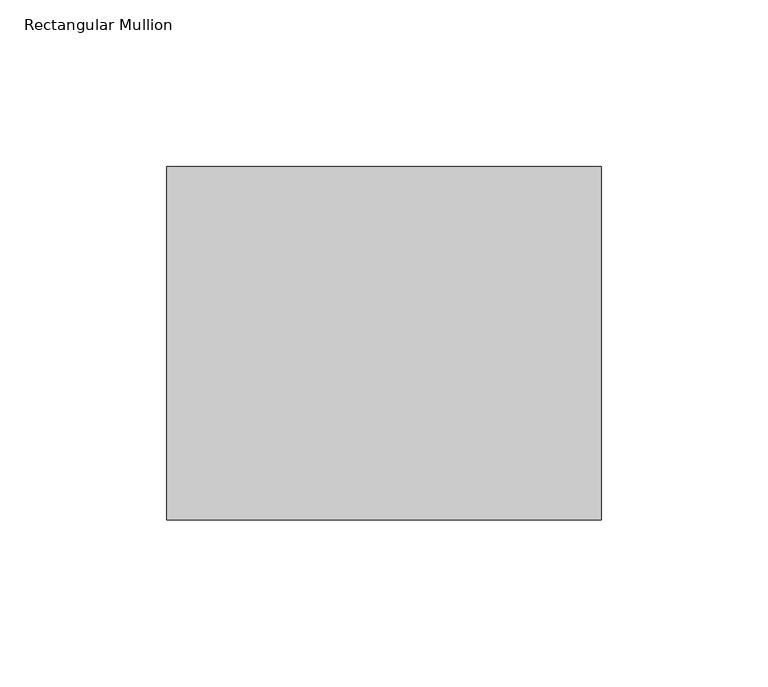
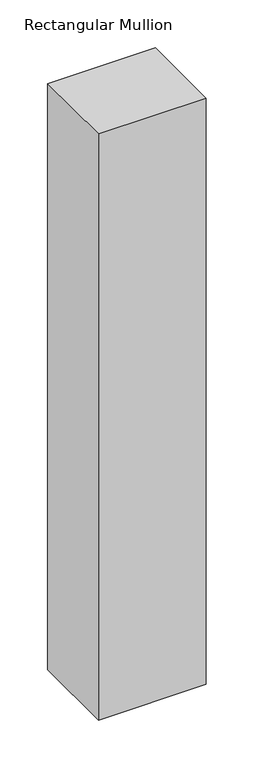
"""IFC4 building model written with IfcOpenShell, lengths in millimetres: member geometry, Rectangular Mullion."""

from ifc_helpers import new_model, si_unit, frame, origin, place, context, project, spatial, polyline, outline, extrude, source, transform, mapped, element, save


def rectangular_mullion_15233396(model_context):
    return source(origin(), model_context, "Body", "SweptSolid", [
        extrude(outline(polyline([(0.0, 52.8779994), (0.0, -52.8779994), (-130.0, -52.8779994), (-130.0, 52.8779994), (0.0, 52.8779994)])), frame((0.0, 0.0, -747.0), z_axis=(0.0, 0.0, 1.0), x_axis=(1.0, 0.0, 0.0)), (0.0, 0.0, 1.0), 747.0),
    ])


if __name__ == "__main__":
    model = new_model("IFC4")
    model_context = context("Model", 3, world=origin())
    ifc_project = project(units=[si_unit("LENGTHUNIT", "METRE", prefix="MILLI")], contexts=[model_context])
    site = spatial("IfcSite", under=ifc_project)
    building = spatial("IfcBuilding", under=site)
    placement = place(None, origin())
    rectangular_mullion_shape = rectangular_mullion_15233396(model_context)
    element("IfcMember", 1, ObjectType="Rectangular Mullion", at=placement, inside=building, context=model_context, shape_type="MappedRepresentation", body=[
        mapped(rectangular_mullion_shape, transform((0.0, 0.0, 0.0), x_axis=(1.0, 0.0, 0.0), y_axis=(0.0, 1.0, 0.0), z_axis=(0.0, 0.0, 1.0))),
    ])
    save(model, "model.ifc")
